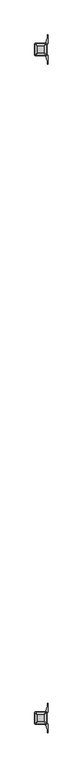
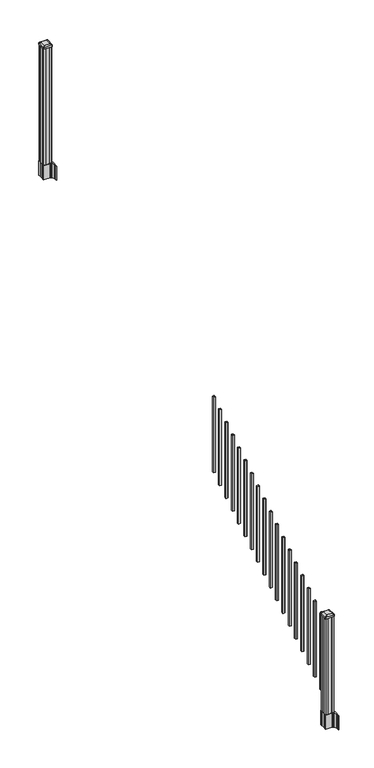
"""IFC4 building model written with IfcOpenShell, lengths in millimetres: railing geometry."""

import ifcopenshell
import ifcopenshell.guid

model = None  # the IFC model being written
_history = None  # IfcOwnerHistory: only IFC2X3 demands one
_inside = {}  # id of a spatial element -> (the spatial element, [elements in it])
_under = {}  # id of a project, library or spatial element -> (it, [spatial elements below it])
_declared = {}  # id of a project -> (the project, [libraries it declares])
_typed = {}  # id of a type object -> (the type object, [elements of that type])
_made_of = {}  # id of a material, layer set ... -> (it, [elements and type objects made of it])


def new_model(schema):
    """Start an empty IFC model of exactly this schema.

    Asked for "IFC4X3", IfcOpenShell would pick the latest addendum, in which some entities
    have other attributes; the version numbers below select the first issue.
    IFC2X3 requires an IfcOwnerHistory on every rooted entity: one is made here for all.
    """
    global model, _history
    if schema == "IFC4X3":
        model = ifcopenshell.file(schema_version=(4, 3, 0, 0))
    else:
        model = ifcopenshell.file(schema=schema)
    _inside.clear()
    _under.clear()
    _declared.clear()
    _typed.clear()
    _made_of.clear()
    _history = None
    if model.schema == "IFC2X3":
        org = make("IfcOrganization", Name="unknown")
        user = make(
            "IfcPersonAndOrganization",
            ThePerson=make("IfcPerson", FamilyName="unknown"),
            TheOrganization=org,
        )
        app = make(
            "IfcApplication",
            ApplicationDeveloper=org,
            Version="unknown",
            ApplicationFullName="unknown",
            ApplicationIdentifier="unknown",
        )
        _history = make(
            "IfcOwnerHistory",
            OwningUser=user,
            OwningApplication=app,
            ChangeAction="ADDED",
            CreationDate=0,
        )
    return model


def make(cls, **values):
    """One entity of the class cls with the attributes given. An attribute that is None is left unset."""
    return model.create_entity(
        cls, **{name: value for name, value in values.items() if value is not None}
    )


def rooted(cls, **values):
    """An entity with a GlobalId (a new one), such as an element, a storey or a relation."""
    return make(cls, GlobalId=ifcopenshell.guid.new(), OwnerHistory=_history, **values)


def si_unit(unit_type, name, prefix=None):
    """IfcSIUnit, for example si_unit("LENGTHUNIT", "METRE", prefix="MILLI")."""
    return make("IfcSIUnit", UnitType=unit_type, Prefix=prefix, Name=name)


def assignment(units):
    """IfcUnitAssignment: the units of a project."""
    return None if units is None else make("IfcUnitAssignment", Units=units)


def point(xyz):
    """IfcCartesianPoint."""
    return None if xyz is None else make("IfcCartesianPoint", Coordinates=xyz)


def direction(xyz):
    """IfcDirection."""
    return None if xyz is None else make("IfcDirection", DirectionRatios=xyz)


def frame(location, z_axis=None, x_axis=None):
    """IfcAxis2Placement3D, a coordinate frame: its origin and axes. An axis left out is left unset."""
    return make(
        "IfcAxis2Placement3D",
        Location=point(location),
        Axis=direction(z_axis),
        RefDirection=direction(x_axis),
    )


def frame_2d(location, x_axis=None):
    """IfcAxis2Placement2D, a coordinate frame in the plane: its origin and x axis."""
    return make(
        "IfcAxis2Placement2D", Location=point(location), RefDirection=direction(x_axis)
    )


def origin():
    """The frame at (0, 0, 0) with its axes left unset."""
    return frame((0.0, 0.0, 0.0))


def place(relative_to, where):
    """IfcLocalPlacement: puts the frame where relative to a parent placement (None: the world)."""
    return make(
        "IfcLocalPlacement", PlacementRelTo=relative_to, RelativePlacement=where
    )


def context(
    kind, dimensions, precision=None, world=None, true_north=None, identifier=None
):
    """IfcGeometricRepresentationContext, for example the 3D "Model" context."""
    return make(
        "IfcGeometricRepresentationContext",
        ContextIdentifier=identifier,
        ContextType=kind,
        CoordinateSpaceDimension=dimensions,
        Precision=precision,
        WorldCoordinateSystem=world,
        TrueNorth=true_north,
    )


def project(units=None, contexts=None):
    """IfcProject with its units and contexts."""
    return rooted(
        "IfcProject",
        Name="project",
        RepresentationContexts=contexts,
        UnitsInContext=assignment(units),
    )


def spatial(cls, under=None, at=None, **own):
    """A site, building, storey or space (cls), placed at a placement, below another one or the project."""
    s = rooted(cls, ObjectPlacement=at, **own)
    if under is not None:
        _under.setdefault(under.id(), (under, []))[1].append(s)
    return s


def polyline(points):
    """IfcPolyline through the points."""
    return make("IfcPolyline", Points=[point(p) for p in points])


def circle_curve(where, radius):
    """IfcCircle in the frame where."""
    return make("IfcCircle", Position=where, Radius=radius)


def trimmed(basis, trim1, trim2, sense, master):
    """IfcTrimmedCurve: the piece of a basis curve between two trims."""
    return make(
        "IfcTrimmedCurve",
        BasisCurve=basis,
        Trim1=trim1,
        Trim2=trim2,
        SenseAgreement=sense,
        MasterRepresentation=master,
    )


def segment(curve, same_sense, transition):
    """IfcCompositeCurveSegment."""
    return make(
        "IfcCompositeCurveSegment",
        Transition=transition,
        SameSense=same_sense,
        ParentCurve=curve,
    )


def composite_curve(segments, self_intersect=None):
    """IfcCompositeCurve: segments joined end to end."""
    return make("IfcCompositeCurve", Segments=segments, SelfIntersect=self_intersect)


def outline(outer, holes=None, kind="AREA"):
    """IfcArbitraryClosedProfileDef: a profile drawn as a closed curve; with holes, ...WithVoids."""
    if holes is None:
        return make("IfcArbitraryClosedProfileDef", ProfileType=kind, OuterCurve=outer)
    return make(
        "IfcArbitraryProfileDefWithVoids",
        ProfileType=kind,
        OuterCurve=outer,
        InnerCurves=holes,
    )


def extrude(swept, where, along, depth):
    """IfcExtrudedAreaSolid: the profile swept, set in the frame where, extruded along a direction by depth."""
    return make(
        "IfcExtrudedAreaSolid",
        SweptArea=swept,
        Position=where,
        ExtrudedDirection=direction(along),
        Depth=depth,
    )


def shape(context_of_items, identifier, shape_type, items):
    """IfcShapeRepresentation: the items that make up one representation, for example the "Body"."""
    return make(
        "IfcShapeRepresentation",
        ContextOfItems=context_of_items,
        RepresentationIdentifier=identifier,
        RepresentationType=shape_type,
        Items=items,
    )


def source(mapping_origin, context_of_items, identifier, shape_type, items):
    """IfcRepresentationMap: a shape defined once, which mapped items show again and again."""
    return make(
        "IfcRepresentationMap",
        MappingOrigin=mapping_origin,
        MappedRepresentation=shape(context_of_items, identifier, shape_type, items),
    )


def transform(
    local_origin,
    x_axis=None,
    y_axis=None,
    z_axis=None,
    scale=None,
    scale2=None,
    scale3=None,
    uniform=True,
):
    """IfcCartesianTransformationOperator3D, or its non-uniform kind. x_axis, y_axis, z_axis: its Axis1, 2, 3."""
    if uniform:
        return make(
            "IfcCartesianTransformationOperator3D",
            Axis1=direction(x_axis),
            Axis2=direction(y_axis),
            LocalOrigin=point(local_origin),
            Scale=scale,
            Axis3=direction(z_axis),
        )
    return make(
        "IfcCartesianTransformationOperator3DnonUniform",
        Axis1=direction(x_axis),
        Axis2=direction(y_axis),
        LocalOrigin=point(local_origin),
        Scale=scale,
        Axis3=direction(z_axis),
        Scale2=scale2,
        Scale3=scale3,
    )


def mapped(mapping_source, mapping_target):
    """IfcMappedItem: shows the shape of a source again, moved by a transform."""
    return make(
        "IfcMappedItem", MappingSource=mapping_source, MappingTarget=mapping_target
    )


def made_of(thing, what):
    """Note that an element or type object is made of a material, layer set ...; save() writes the relation."""
    if what is not None:
        _made_of.setdefault(what.id(), (what, []))[1].append(thing)
    return thing


def element(
    cls,
    number,
    at=None,
    inside=None,
    cuts=None,
    type_object=None,
    material=None,
    context=None,
    identifier="Body",
    shape_type=None,
    held_by="IfcProductDefinitionShape",
    body=None,
    shapes=None,
    **own,
):
    """One element of the class cls, such as IfcWall. Its Tag is "e" and its number.

    at: its placement. inside: the storey or other place that contains it. cuts: it is an
    opening in that element (IfcRelVoidsElement). A single representation is given by context,
    identifier, shape_type and body (its items); several are given by shapes. held_by: the class
    of the entity that holds the representations. save() writes the other relations.
    """
    e = rooted(cls, Tag="e%d" % number, ObjectPlacement=at, **own)
    if body is not None:
        shapes = [shape(context, identifier, shape_type, body)]
    if shapes is not None:
        e.Representation = make(held_by, Representations=shapes)
    if inside is not None:
        _inside.setdefault(inside.id(), (inside, []))[1].append(e)
    if cuts is not None:
        rooted(
            "IfcRelVoidsElement", RelatingBuildingElement=cuts, RelatedOpeningElement=e
        )
    if type_object is not None:
        _typed.setdefault(type_object.id(), (type_object, []))[1].append(e)
    return made_of(e, material)


def aggregate(whole, parts):
    """IfcRelAggregates: a whole, such as a stair, and the parts it consists of."""
    return rooted("IfcRelAggregates", RelatingObject=whole, RelatedObjects=parts)


def save(model, path):
    """Write the relations noted so far, then the file.

    IfcRelAggregates (storeys below a building ...), IfcRelContainedInSpatialStructure (elements
    in a storey), IfcRelDefinesByType, IfcRelAssociatesMaterial and IfcRelDeclares: one each for
    every whole, place, type object, material and project.
    """
    for whole, parts in _under.values():
        aggregate(whole, parts)
    for where, things in _inside.values():
        rooted(
            "IfcRelContainedInSpatialStructure",
            RelatedElements=things,
            RelatingStructure=where,
        )
    for kind, things in _typed.values():
        rooted("IfcRelDefinesByType", RelatedObjects=things, RelatingType=kind)
    for what, things in _made_of.values():
        rooted("IfcRelAssociatesMaterial", RelatedObjects=things, RelatingMaterial=what)
    for by, libraries in _declared.values():
        rooted("IfcRelDeclares", RelatingContext=by, RelatedDefinitions=libraries)
    model.write(path)


def plane_surface(at):
    """IfcPlane: the flat surface through the origin of the frame at, square to its z axis."""
    return make("IfcPlane", Position=at)


def extruded_surface(curve, direction_of_extrusion, depth):
    """IfcSurfaceOfLinearExtrusion: the curve pushed along a direction by depth."""
    return make(
        "IfcSurfaceOfLinearExtrusion",
        SweptCurve=make("IfcArbitraryOpenProfileDef", ProfileType="CURVE", Curve=curve),
        ExtrudedDirection=direction(direction_of_extrusion),
        Depth=depth,
    )


def advanced_brep(points, edges, surfaces, faces):
    """IfcAdvancedBrep: a solid bounded by faces that lie on surfaces and meet in shared edges.

    An edge is (start, end): straight between two places in points (the first is 0);
    or (start, end, curve); or (start, end, curve, False) where it runs against its curve.
    A face is (place in surfaces, loops), or (place, loops, False) where it looks against
    its surface's normal. A loop lists edges by number (the first is 1), with a minus sign
    where the edge is run from its end to its start. The first loop is the outer one.
    """
    corners = [point(p) for p in points]
    vertices = [make("IfcVertexPoint", VertexGeometry=c) for c in corners]
    made = []
    for start, end, *more in edges:
        made.append(
            make(
                "IfcEdgeCurve",
                EdgeStart=vertices[start],
                EdgeEnd=vertices[end],
                EdgeGeometry=more[0] if more else make("IfcPolyline", Points=[corners[start], corners[end]]),
                SameSense=more[1] if len(more) > 1 else True,
            )
        )
    hull = []
    for where, loops, *sense in faces:
        bounds = []
        for j, loop in enumerate(loops):
            ring = [make("IfcOrientedEdge", EdgeElement=made[abs(k) - 1], Orientation=k > 0) for k in loop]
            bounds.append(
                make(
                    "IfcFaceOuterBound" if j == 0 else "IfcFaceBound",
                    Bound=make("IfcEdgeLoop", EdgeList=ring),
                    Orientation=True,
                )
            )
        hull.append(make("IfcAdvancedFace", Bounds=bounds, FaceSurface=surfaces[where], SameSense=sense[0] if sense else True))
    return make("IfcAdvancedBrep", Outer=make("IfcClosedShell", CfsFaces=hull))


def railing_30fb8392(model_context):
    return source(origin(), model_context, "Body", "SolidModel", [
        extrude(outline(polyline([(8843.5833284, -5721.2584681), (8843.5833284, -5702.2084681), (8862.6333284, -5702.2084681), (8862.6333284, -5721.2584681), (8843.5833284, -5721.2584681)]), holes=[polyline([(8843.9802034, -5720.8615931), (8862.2364534, -5720.8615931), (8862.2364534, -5702.6053431), (8843.9802034, -5702.6053431), (8843.9802034, -5720.8615931)])]), frame((0.0, 0.0, 1515.8996281), z_axis=(0.0, 0.0, 1.0), x_axis=(1.0, 0.0, 0.0)), (0.0, 0.0, 1.0), 812.8041219),
        extrude(outline(polyline([(8843.5833284, -5832.5104681), (8843.5833284, -5813.4604681), (8862.6333284, -5813.4604681), (8862.6333284, -5832.5104681), (8843.5833284, -5832.5104681)]), holes=[polyline([(8843.9802034, -5832.1135931), (8862.2364534, -5832.1135931), (8862.2364534, -5813.8573431), (8843.9802034, -5813.8573431), (8843.9802034, -5832.1135931)])]), frame((0.0, 0.0, 1446.3671281), z_axis=(0.0, 0.0, 1.0), x_axis=(1.0, 0.0, 0.0)), (0.0, 0.0, 1.0), 812.8041219),
        extrude(outline(polyline([(8843.5833284, -5943.7624681), (8843.5833284, -5924.7124681), (8862.6333284, -5924.7124681), (8862.6333284, -5943.7624681), (8843.5833284, -5943.7624681)]), holes=[polyline([(8843.9802034, -5943.3655931), (8862.2364534, -5943.3655931), (8862.2364534, -5925.1093431), (8843.9802034, -5925.1093431), (8843.9802034, -5943.3655931)])]), frame((0.0, 0.0, 1376.8346281), z_axis=(0.0, 0.0, 1.0), x_axis=(1.0, 0.0, 0.0)), (0.0, 0.0, 1.0), 812.8041219),
        extrude(outline(polyline([(8843.5833284, -6055.0144681), (8843.5833284, -6035.9644681), (8862.6333284, -6035.9644681), (8862.6333284, -6055.0144681), (8843.5833284, -6055.0144681)]), holes=[polyline([(8843.9802034, -6054.6175931), (8862.2364534, -6054.6175931), (8862.2364534, -6036.3613431), (8843.9802034, -6036.3613431), (8843.9802034, -6054.6175931)])]), frame((0.0, 0.0, 1307.3021281), z_axis=(0.0, 0.0, 1.0), x_axis=(1.0, 0.0, 0.0)), (0.0, 0.0, 1.0), 812.8041219),
        extrude(outline(polyline([(8843.5833284, -6166.2664681), (8843.5833284, -6147.2164681), (8862.6333284, -6147.2164681), (8862.6333284, -6166.2664681), (8843.5833284, -6166.2664681)]), holes=[polyline([(8843.9802034, -6165.8695931), (8862.2364534, -6165.8695931), (8862.2364534, -6147.6133431), (8843.9802034, -6147.6133431), (8843.9802034, -6165.8695931)])]), frame((0.0, 0.0, 1237.7696281), z_axis=(0.0, 0.0, 1.0), x_axis=(1.0, 0.0, 0.0)), (0.0, 0.0, 1.0), 812.8041219),
        extrude(outline(polyline([(8843.5833284, -6277.5184681), (8843.5833284, -6258.4684681), (8862.6333284, -6258.4684681), (8862.6333284, -6277.5184681), (8843.5833284, -6277.5184681)]), holes=[polyline([(8843.9802034, -6277.1215931), (8862.2364534, -6277.1215931), (8862.2364534, -6258.8653431), (8843.9802034, -6258.8653431), (8843.9802034, -6277.1215931)])]), frame((0.0, 0.0, 1168.2371281), z_axis=(0.0, 0.0, 1.0), x_axis=(1.0, 0.0, 0.0)), (0.0, 0.0, 1.0), 812.8041219),
        extrude(outline(polyline([(8843.5833284, -6388.7704681), (8843.5833284, -6369.7204681), (8862.6333284, -6369.7204681), (8862.6333284, -6388.7704681), (8843.5833284, -6388.7704681)]), holes=[polyline([(8843.9802034, -6388.3735931), (8862.2364534, -6388.3735931), (8862.2364534, -6370.1173431), (8843.9802034, -6370.1173431), (8843.9802034, -6388.3735931)])]), frame((0.0, 0.0, 1098.7046281), z_axis=(0.0, 0.0, 1.0), x_axis=(1.0, 0.0, 0.0)), (0.0, 0.0, 1.0), 812.8041219),
        extrude(outline(polyline([(8843.5833284, -6500.0224681), (8843.5833284, -6480.9724681), (8862.6333284, -6480.9724681), (8862.6333284, -6500.0224681), (8843.5833284, -6500.0224681)]), holes=[polyline([(8843.9802034, -6499.6255931), (8862.2364534, -6499.6255931), (8862.2364534, -6481.3693431), (8843.9802034, -6481.3693431), (8843.9802034, -6499.6255931)])]), frame((0.0, 0.0, 1029.1721281), z_axis=(0.0, 0.0, 1.0), x_axis=(1.0, 0.0, 0.0)), (0.0, 0.0, 1.0), 812.8041219),
        extrude(outline(polyline([(8843.5833284, -6611.2744681), (8843.5833284, -6592.2244681), (8862.6333284, -6592.2244681), (8862.6333284, -6611.2744681), (8843.5833284, -6611.2744681)]), holes=[polyline([(8843.9802034, -6610.8775931), (8862.2364534, -6610.8775931), (8862.2364534, -6592.6213431), (8843.9802034, -6592.6213431), (8843.9802034, -6610.8775931)])]), frame((0.0, 0.0, 959.6396281), z_axis=(0.0, 0.0, 1.0), x_axis=(1.0, 0.0, 0.0)), (0.0, 0.0, 1.0), 812.8041219),
        extrude(outline(polyline([(8843.5833284, -6722.5264681), (8843.5833284, -6703.4764681), (8862.6333284, -6703.4764681), (8862.6333284, -6722.5264681), (8843.5833284, -6722.5264681)]), holes=[polyline([(8843.9802034, -6722.1295931), (8862.2364534, -6722.1295931), (8862.2364534, -6703.8733431), (8843.9802034, -6703.8733431), (8843.9802034, -6722.1295931)])]), frame((0.0, 0.0, 890.1071281), z_axis=(0.0, 0.0, 1.0), x_axis=(1.0, 0.0, 0.0)), (0.0, 0.0, 1.0), 812.8041219),
        extrude(outline(polyline([(8843.5833284, -6833.7784681), (8843.5833284, -6814.7284681), (8862.6333284, -6814.7284681), (8862.6333284, -6833.7784681), (8843.5833284, -6833.7784681)]), holes=[polyline([(8843.9802034, -6833.3815931), (8862.2364534, -6833.3815931), (8862.2364534, -6815.1253431), (8843.9802034, -6815.1253431), (8843.9802034, -6833.3815931)])]), frame((0.0, 0.0, 820.5746281), z_axis=(0.0, 0.0, 1.0), x_axis=(1.0, 0.0, 0.0)), (0.0, 0.0, 1.0), 812.8041219),
        extrude(outline(polyline([(8843.5833284, -6945.0304681), (8843.5833284, -6925.9804681), (8862.6333284, -6925.9804681), (8862.6333284, -6945.0304681), (8843.5833284, -6945.0304681)]), holes=[polyline([(8843.9802034, -6944.6335931), (8862.2364534, -6944.6335931), (8862.2364534, -6926.3773431), (8843.9802034, -6926.3773431), (8843.9802034, -6944.6335931)])]), frame((0.0, 0.0, 751.0421281), z_axis=(0.0, 0.0, 1.0), x_axis=(1.0, 0.0, 0.0)), (0.0, 0.0, 1.0), 812.8041219),
        extrude(outline(polyline([(8843.5833284, -7056.2824681), (8843.5833284, -7037.2324681), (8862.6333284, -7037.2324681), (8862.6333284, -7056.2824681), (8843.5833284, -7056.2824681)]), holes=[polyline([(8843.9802034, -7055.8855931), (8862.2364534, -7055.8855931), (8862.2364534, -7037.6293431), (8843.9802034, -7037.6293431), (8843.9802034, -7055.8855931)])]), frame((0.0, 0.0, 681.5096281), z_axis=(0.0, 0.0, 1.0), x_axis=(1.0, 0.0, 0.0)), (0.0, 0.0, 1.0), 812.8041219),
        extrude(outline(polyline([(8843.5833284, -7167.5344681), (8843.5833284, -7148.4844681), (8862.6333284, -7148.4844681), (8862.6333284, -7167.5344681), (8843.5833284, -7167.5344681)]), holes=[polyline([(8843.9802034, -7167.1375931), (8862.2364534, -7167.1375931), (8862.2364534, -7148.8813431), (8843.9802034, -7148.8813431), (8843.9802034, -7167.1375931)])]), frame((0.0, 0.0, 611.9771281), z_axis=(0.0, 0.0, 1.0), x_axis=(1.0, 0.0, 0.0)), (0.0, 0.0, 1.0), 812.8041219),
        extrude(outline(polyline([(8843.5833284, -7278.7864681), (8843.5833284, -7259.7364681), (8862.6333284, -7259.7364681), (8862.6333284, -7278.7864681), (8843.5833284, -7278.7864681)]), holes=[polyline([(8843.9802034, -7278.3895931), (8862.2364534, -7278.3895931), (8862.2364534, -7260.1333431), (8843.9802034, -7260.1333431), (8843.9802034, -7278.3895931)])]), frame((0.0, 0.0, 542.4446281), z_axis=(0.0, 0.0, 1.0), x_axis=(1.0, 0.0, 0.0)), (0.0, 0.0, 1.0), 812.8041219),
        extrude(outline(polyline([(8843.5833284, -7390.0384681), (8843.5833284, -7370.9884681), (8862.6333284, -7370.9884681), (8862.6333284, -7390.0384681), (8843.5833284, -7390.0384681)]), holes=[polyline([(8843.9802034, -7389.6415931), (8862.2364534, -7389.6415931), (8862.2364534, -7371.3853431), (8843.9802034, -7371.3853431), (8843.9802034, -7389.6415931)])]), frame((0.0, 0.0, 472.9121281), z_axis=(0.0, 0.0, 1.0), x_axis=(1.0, 0.0, 0.0)), (0.0, 0.0, 1.0), 812.8041219),
        extrude(outline(polyline([(8843.5833284, -7501.2904681), (8843.5833284, -7482.2404681), (8862.6333284, -7482.2404681), (8862.6333284, -7501.2904681), (8843.5833284, -7501.2904681)]), holes=[polyline([(8843.9802034, -7500.8935931), (8862.2364534, -7500.8935931), (8862.2364534, -7482.6373431), (8843.9802034, -7482.6373431), (8843.9802034, -7500.8935931)])]), frame((0.0, 0.0, 403.3796281), z_axis=(0.0, 0.0, 1.0), x_axis=(1.0, 0.0, 0.0)), (0.0, 0.0, 1.0), 812.8041219),
        extrude(outline(polyline([(8843.5833284, -7612.5424681), (8843.5833284, -7593.4924681), (8862.6333284, -7593.4924681), (8862.6333284, -7612.5424681), (8843.5833284, -7612.5424681)]), holes=[polyline([(8843.9802034, -7612.1455931), (8862.2364534, -7612.1455931), (8862.2364534, -7593.8893431), (8843.9802034, -7593.8893431), (8843.9802034, -7612.1455931)])]), frame((0.0, 0.0, 333.8471281), z_axis=(0.0, 0.0, 1.0), x_axis=(1.0, 0.0, 0.0)), (0.0, 0.0, 1.0), 812.8041219),
        extrude(outline(polyline([(8892.7958284, -2792.8924681), (8873.1743284, -2792.8924681), (8872.4123284, -2791.3049681), (8833.8043284, -2791.3049681), (8833.0423284, -2792.8924681), (8813.4208284, -2792.8924681), (8811.8333284, -2791.3049681), (8811.8333284, -2771.6834681), (8813.4208284, -2770.9214681), (8813.4208284, -2732.3134681), (8811.8333284, -2731.5514681), (8811.8333284, -2711.9299681), (8813.4208284, -2710.3424681), (8833.0423284, -2710.3424681), (8833.8043284, -2711.9299681), (8872.4123284, -2711.9299681), (8873.1743284, -2710.3424681), (8892.7958284, -2710.3424681), (8894.3833284, -2711.9299681), (8894.3833284, -2731.5514681), (8892.7958284, -2732.3134681), (8892.7958284, -2770.9214681), (8894.3833284, -2771.6834681), (8894.3833284, -2791.3049681), (8892.7958284, -2792.8924681)])), frame((0.0, 0.0, 3048.0), z_axis=(0.0, 0.0, 1.0), x_axis=(1.0, 0.0, 0.0)), (0.0, 0.0, 1.0), 1247.740513),
        extrude(outline(composite_curve([segment(polyline([(8810.3728284, -2769.003563), (8810.3728284, -2734.2313732), (8808.7853284, -2733.4693732), (8808.7853284, -2710.6674452), (8812.1583054, -2707.2944681), (8873.6179763, -2707.2944681), (8873.6179763, -2706.3737181), (8878.9355201, -2706.3737181), (8878.9355201, -2704.9194634), (8884.0200498, -2704.9194634), (8884.0200498, -2703.6354396), (8885.6873221, -2703.6354396)]), True, "CONTINUOUS"), segment(trimmed(circle_curve(frame_2d((8885.6873221, -2696.5759797)), 7.0594599), [point((8885.6873221, -2703.6354396))], [point((8892.4545849, -2698.5859864))], True, "CARTESIAN"), True, "CONTINUOUS"), segment(polyline([(8892.4545849, -2698.5859864), (8900.3287792, -2672.0752573)]), True, "CONTINUOUS"), segment(trimmed(circle_curve(frame_2d((8845.5442659, -2655.8032076)), 57.15), [point((8900.3287792, -2672.0752573))], [point((8902.6942659, -2655.8032076))], True, "CARTESIAN"), True, "CONTINUOUS"), segment(polyline([(8902.6942659, -2655.8032076), (8902.6942659, -2643.7944681), (8905.6942659, -2643.7944681), (8905.6942659, -2708.8819681), (8897.4313284, -2720.2202594), (8897.4313284, -2733.4693732), (8895.8438284, -2734.2313732), (8895.8438284, -2769.003563), (8897.4313284, -2769.765563), (8897.4313284, -2783.0146768), (8905.6942659, -2794.3529681), (8905.6942659, -2859.4404681), (8902.6942659, -2859.4404681), (8902.6942659, -2847.4317285)]), True, "CONTINUOUS"), segment(trimmed(circle_curve(frame_2d((8845.5442659, -2847.4317285)), 57.15), [point((8902.6942659, -2847.4317285))], [point((8900.3287792, -2831.1596789))], True, "CARTESIAN"), True, "CONTINUOUS"), segment(polyline([(8900.3287792, -2831.1596789), (8892.4545849, -2804.6489498)]), True, "CONTINUOUS"), segment(trimmed(circle_curve(frame_2d((8885.6873221, -2806.6589565)), 7.0594599), [point((8892.4545849, -2804.6489498))], [point((8885.6873221, -2799.5994966))], True, "CARTESIAN"), True, "CONTINUOUS"), segment(polyline([(8885.6873221, -2799.5994966), (8884.0200498, -2799.5994966), (8884.0200498, -2798.3154728), (8878.9355201, -2798.3154728), (8878.9355201, -2796.8612181), (8873.6179763, -2796.8612181), (8873.6179763, -2795.9404681), (8812.1583054, -2795.9404681), (8808.7853284, -2792.567491), (8808.7853284, -2769.765563), (8810.3728284, -2769.003563)]), True, "CONTINUOUS")], self_intersect=False), holes=[polyline([(8894.3833284, -2711.9299681), (8892.7958284, -2710.3424681), (8855.8715458, -2710.3424681), (8813.4208284, -2710.3424681), (8811.8333284, -2711.9299681), (8811.8333284, -2791.3049681), (8813.4208284, -2792.8924681), (8855.8715458, -2792.8924681), (8892.7958284, -2792.8924681), (8894.3833284, -2791.3049681), (8894.3833284, -2711.9299681)])]), frame((0.0, 0.0, 2895.6), z_axis=(0.0, 0.0, 1.0), x_axis=(1.0, 0.0, 0.0)), (0.0, 0.0, 1.0), 152.4),
        advanced_brep(
        [(8878.9052034, -2780.5893431, 4324.315513), (8882.0802034, -2777.4143431, 4324.315513), (8882.0802034, -2725.8205931, 4324.315513), (8878.9052034, -2722.6455931, 4324.315513), (8827.3114534, -2722.6455931, 4324.315513), (8824.1364534, -2725.8205931, 4324.315513), (8824.1364534, -2777.4143431, 4324.315513), (8827.3114534, -2780.5893431, 4324.315513), (8895.1770784, -2796.8612181, 4313.012513), (8811.0395784, -2796.8612181, 4313.012513), (8807.8645784, -2793.6862181, 4313.012513), (8807.8645784, -2709.5487181, 4313.012513), (8811.0395784, -2706.3737181, 4313.012513), (8895.1770784, -2706.3737181, 4313.012513), (8898.3520784, -2709.5487181, 4313.012513), (8898.3520784, -2793.6862181, 4313.012513)],
        [
            (0, 1, circle_curve(frame((8878.9052034, -2777.4143431, 4324.315513), z_axis=(0.0, 0.0, 1.0), x_axis=(0.0, 1.0, 0.0)), 3.175)),
            (1, 2),
            (2, 3, circle_curve(frame((8878.9052034, -2725.8205931, 4324.315513), z_axis=(0.0, 0.0, 1.0), x_axis=(0.0, 1.0, 0.0)), 3.175)),
            (3, 4),
            (4, 5, circle_curve(frame((8827.3114534, -2725.8205931, 4324.315513), z_axis=(0.0, 0.0, 1.0), x_axis=(0.0, 1.0, 0.0)), 3.175)),
            (5, 6),
            (6, 7, circle_curve(frame((8827.3114534, -2777.4143431, 4324.315513), z_axis=(0.0, 0.0, 1.0), x_axis=(0.0, 1.0, 0.0)), 3.175)),
            (7, 0),
            (8, 9),
            (9, 10, circle_curve(frame((8811.0395784, -2793.6862181, 4313.012513), z_axis=(0.0, 0.0, -1.0), x_axis=(0.0, 1.0, 0.0)), 3.175)),
            (10, 11),
            (11, 12, circle_curve(frame((8811.0395784, -2709.5487181, 4313.012513), z_axis=(0.0, 0.0, -1.0), x_axis=(0.0, 1.0, 0.0)), 3.175)),
            (12, 13),
            (13, 14, circle_curve(frame((8895.1770784, -2709.5487181, 4313.012513), z_axis=(0.0, 0.0, -1.0), x_axis=(0.0, 1.0, 0.0)), 3.175)),
            (14, 15),
            (15, 8, circle_curve(frame((8895.1770784, -2793.6862181, 4313.012513), z_axis=(0.0, 0.0, -1.0), x_axis=(0.0, 1.0, 0.0)), 3.175)),
            (15, 1),
            (0, 8),
            (14, 2),
            (13, 3),
            (12, 4),
            (11, 5),
            (10, 6),
            (9, 7),
        ],
        [
            plane_surface(frame((8853.1083284, -2751.6174681, 4324.315513), z_axis=(0.0, 0.0, 1.0), x_axis=(1.0, 0.0, 0.0))),
            plane_surface(frame((8853.1083284, -2751.6174681, 4313.012513), z_axis=(0.0, 0.0, -1.0), x_axis=(1.0, 0.0, 0.0))),
            extruded_surface(trimmed(circle_curve(frame((8895.1770784, -2793.6862181, 4313.012513), z_axis=(0.0, 0.0, 1.0), x_axis=(0.0, 1.0, 0.0)), 3.175), [point((8895.1770784, -2796.8612181, 4313.012513))], [point((8898.3520784, -2793.6862181, 4313.012513))], True, "CARTESIAN"), (-16.271875000000364, 16.27187499999991, 11.302999999999884), 25.637972638866284),
            plane_surface(frame((8898.3520784, -2751.6174681, 4313.012513), z_axis=(0.5705009161540687, 0.0, 0.8212969649690472), x_axis=(0.0, 1.0, 0.0))),
            extruded_surface(trimmed(circle_curve(frame((8895.1770784, -2709.5487181, 4313.012513), z_axis=(0.0, 0.0, 1.0), x_axis=(0.0, 1.0, 0.0)), 3.175), [point((8898.3520784, -2709.5487181, 4313.012513))], [point((8895.1770784, -2706.3737181, 4313.012513))], True, "CARTESIAN"), (-16.271875000000364, -16.271875000000364, 11.302999999999884), 25.63797263886657),
            plane_surface(frame((8853.1083284, -2706.3737181, 4313.012513), z_axis=(0.0, 0.5705009161540291, 0.8212969649690747), x_axis=(-1.0, 0.0, 0.0))),
            extruded_surface(trimmed(circle_curve(frame((8811.0395784, -2709.5487181, 4313.012513), z_axis=(0.0, 0.0, 1.0), x_axis=(0.0, 1.0, 0.0)), 3.175), [point((8811.0395784, -2706.3737181, 4313.012513))], [point((8807.8645784, -2709.5487181, 4313.012513))], True, "CARTESIAN"), (16.271875000000364, -16.271875000000364, 11.302999999999884), 25.63797263886657),
            plane_surface(frame((8807.8645784, -2751.6174681, 4313.012513), z_axis=(-0.5705009161540233, 0.0, 0.8212969649690787), x_axis=(0.0, -1.0, 0.0))),
            extruded_surface(trimmed(circle_curve(frame((8811.0395784, -2793.6862181, 4313.012513), z_axis=(0.0, 0.0, 1.0), x_axis=(0.0, 1.0, 0.0)), 3.175), [point((8807.8645784, -2793.6862181, 4313.012513))], [point((8811.0395784, -2796.8612181, 4313.012513))], True, "CARTESIAN"), (16.271875000000364, 16.27187499999991, 11.302999999999884), 25.637972638866284),
            plane_surface(frame((8853.1083284, -2796.8612181, 4313.012513), z_axis=(0.0, -0.570500916154034, 0.8212969649690713), x_axis=(1.0, 0.0, 0.0))),
        ],
        [
            (0, [[1, 2, 3, 4, 5, 6, 7, 8]]),
            (1, [[9, 10, 11, 12, 13, 14, 15, 16]]),
            (2, [[-16, 17, -1, 18]]),
            (3, [[-15, 19, -2, -17]]),
            (4, [[-14, 20, -3, -19]]),
            (5, [[-13, 21, -4, -20]]),
            (6, [[-12, 22, -5, -21]]),
            (7, [[-11, 23, -6, -22]]),
            (8, [[-10, 24, -7, -23]]),
            (9, [[-9, -18, -8, -24]]),
        ],
    ),
        extrude(outline(composite_curve([segment(polyline([(8895.1770784, -2796.8612181), (8811.0395784, -2796.8612181)]), True, "CONTINUOUS"), segment(trimmed(circle_curve(frame_2d((8811.0395784, -2793.6862181)), 3.175), [point((8811.0395784, -2796.8612181))], [point((8807.8645784, -2793.6862181))], False, "CARTESIAN"), True, "CONTINUOUS"), segment(polyline([(8807.8645784, -2793.6862181), (8807.8645784, -2709.5487181)]), True, "CONTINUOUS"), segment(trimmed(circle_curve(frame_2d((8811.0395784, -2709.5487181)), 3.175), [point((8807.8645784, -2709.5487181))], [point((8811.0395784, -2706.3737181))], False, "CARTESIAN"), True, "CONTINUOUS"), segment(polyline([(8811.0395784, -2706.3737181), (8895.1770784, -2706.3737181)]), True, "CONTINUOUS"), segment(trimmed(circle_curve(frame_2d((8895.1770784, -2709.5487181)), 3.175), [point((8895.1770784, -2706.3737181))], [point((8898.3520784, -2709.5487181))], False, "CARTESIAN"), True, "CONTINUOUS"), segment(polyline([(8898.3520784, -2709.5487181), (8898.3520784, -2793.6862181)]), True, "CONTINUOUS"), segment(trimmed(circle_curve(frame_2d((8895.1770784, -2793.6862181)), 3.175), [point((8898.3520784, -2793.6862181))], [point((8895.1770784, -2796.8612181))], False, "CARTESIAN"), True, "CONTINUOUS")], self_intersect=False)), frame((0.0, 0.0, 4295.740513), z_axis=(0.0, 0.0, 1.0), x_axis=(1.0, 0.0, 0.0)), (0.0, 0.0, 1.0), 17.272),
        extrude(outline(composite_curve([segment(polyline([(8810.3728284, -7728.607563), (8810.3728284, -7693.8353732), (8808.7853284, -7693.0733732), (8808.7853284, -7670.2714452), (8812.1583054, -7666.8984681), (8873.6179763, -7666.8984681), (8873.6179763, -7665.9777181), (8878.9355201, -7665.9777181), (8878.9355201, -7664.5234634), (8884.0200498, -7664.5234634), (8884.0200498, -7663.2394396), (8885.6873221, -7663.2394396)]), True, "CONTINUOUS"), segment(trimmed(circle_curve(frame_2d((8885.6873221, -7656.1799797)), 7.0594599), [point((8885.6873221, -7663.2394396))], [point((8892.4545849, -7658.1899864))], True, "CARTESIAN"), True, "CONTINUOUS"), segment(polyline([(8892.4545849, -7658.1899864), (8900.3287792, -7631.6792573)]), True, "CONTINUOUS"), segment(trimmed(circle_curve(frame_2d((8845.5442659, -7615.4072076)), 57.15), [point((8900.3287792, -7631.6792573))], [point((8902.6942659, -7615.4072076))], True, "CARTESIAN"), True, "CONTINUOUS"), segment(polyline([(8902.6942659, -7615.4072076), (8902.6942659, -7603.3984681), (8905.6942659, -7603.3984681), (8905.6942659, -7668.4859681), (8897.4313284, -7679.8242594), (8897.4313284, -7693.0733732), (8895.8438284, -7693.8353732), (8895.8438284, -7728.607563), (8897.4313284, -7729.369563), (8897.4313284, -7742.6186768), (8905.6942659, -7753.9569681), (8905.6942659, -7819.0444681), (8902.6942659, -7819.0444681), (8902.6942659, -7807.0357285)]), True, "CONTINUOUS"), segment(trimmed(circle_curve(frame_2d((8845.5442659, -7807.0357285)), 57.15), [point((8902.6942659, -7807.0357285))], [point((8900.3287792, -7790.7636789))], True, "CARTESIAN"), True, "CONTINUOUS"), segment(polyline([(8900.3287792, -7790.7636789), (8892.4545849, -7764.2529498)]), True, "CONTINUOUS"), segment(trimmed(circle_curve(frame_2d((8885.6873221, -7766.2629565)), 7.0594599), [point((8892.4545849, -7764.2529498))], [point((8885.6873221, -7759.2034966))], True, "CARTESIAN"), True, "CONTINUOUS"), segment(polyline([(8885.6873221, -7759.2034966), (8884.0200498, -7759.2034966), (8884.0200498, -7757.9194728), (8878.9355201, -7757.9194728), (8878.9355201, -7756.4652181), (8873.6179763, -7756.4652181), (8873.6179763, -7755.5444681), (8812.1583054, -7755.5444681), (8808.7853284, -7752.171491), (8808.7853284, -7729.369563), (8810.3728284, -7728.607563)]), True, "CONTINUOUS")], self_intersect=False), holes=[polyline([(8894.3833284, -7671.5339681), (8892.7958284, -7669.9464681), (8855.8715458, -7669.9464681), (8813.4208284, -7669.9464681), (8811.8333284, -7671.5339681), (8811.8333284, -7750.9089681), (8813.4208284, -7752.4964681), (8855.8715458, -7752.4964681), (8892.7958284, -7752.4964681), (8894.3833284, -7750.9089681), (8894.3833284, -7671.5339681)])]), frame((0.0, 0.0, 12.22375), z_axis=(0.0, 0.0, 1.0), x_axis=(1.0, 0.0, 0.0)), (0.0, 0.0, 1.0), 152.4),
        advanced_brep(
        [(8878.9052034, -7740.1933431, 1224.563013), (8882.0802034, -7737.0183431, 1224.563013), (8882.0802034, -7685.4245931, 1224.563013), (8878.9052034, -7682.2495931, 1224.563013), (8827.3114534, -7682.2495931, 1224.563013), (8824.1364534, -7685.4245931, 1224.563013), (8824.1364534, -7737.0183431, 1224.563013), (8827.3114534, -7740.1933431, 1224.563013), (8895.1770784, -7756.4652181, 1213.260013), (8811.0395784, -7756.4652181, 1213.260013), (8807.8645784, -7753.2902181, 1213.260013), (8807.8645784, -7669.1527181, 1213.260013), (8811.0395784, -7665.9777181, 1213.260013), (8895.1770784, -7665.9777181, 1213.260013), (8898.3520784, -7669.1527181, 1213.260013), (8898.3520784, -7753.2902181, 1213.260013)],
        [
            (0, 1, circle_curve(frame((8878.9052034, -7737.0183431, 1224.563013), z_axis=(0.0, 0.0, 1.0), x_axis=(0.0, 1.0, 0.0)), 3.175)),
            (1, 2),
            (2, 3, circle_curve(frame((8878.9052034, -7685.4245931, 1224.563013), z_axis=(0.0, 0.0, 1.0), x_axis=(0.0, 1.0, 0.0)), 3.175)),
            (3, 4),
            (4, 5, circle_curve(frame((8827.3114534, -7685.4245931, 1224.563013), z_axis=(0.0, 0.0, 1.0), x_axis=(0.0, 1.0, 0.0)), 3.175)),
            (5, 6),
            (6, 7, circle_curve(frame((8827.3114534, -7737.0183431, 1224.563013), z_axis=(0.0, 0.0, 1.0), x_axis=(0.0, 1.0, 0.0)), 3.175)),
            (7, 0),
            (8, 9),
            (9, 10, circle_curve(frame((8811.0395784, -7753.2902181, 1213.260013), z_axis=(0.0, 0.0, -1.0), x_axis=(0.0, 1.0, 0.0)), 3.175)),
            (10, 11),
            (11, 12, circle_curve(frame((8811.0395784, -7669.1527181, 1213.260013), z_axis=(0.0, 0.0, -1.0), x_axis=(0.0, 1.0, 0.0)), 3.175)),
            (12, 13),
            (13, 14, circle_curve(frame((8895.1770784, -7669.1527181, 1213.260013), z_axis=(0.0, 0.0, -1.0), x_axis=(0.0, 1.0, 0.0)), 3.175)),
            (14, 15),
            (15, 8, circle_curve(frame((8895.1770784, -7753.2902181, 1213.260013), z_axis=(0.0, 0.0, -1.0), x_axis=(0.0, 1.0, 0.0)), 3.175)),
            (15, 1),
            (0, 8),
            (14, 2),
            (13, 3),
            (12, 4),
            (11, 5),
            (10, 6),
            (9, 7),
        ],
        [
            plane_surface(frame((8853.1083284, -7711.2214681, 1224.563013), z_axis=(0.0, 0.0, 1.0), x_axis=(1.0, 0.0, 0.0))),
            plane_surface(frame((8853.1083284, -7711.2214681, 1213.260013), z_axis=(0.0, 0.0, -1.0), x_axis=(1.0, 0.0, 0.0))),
            extruded_surface(trimmed(circle_curve(frame((8895.1770784, -7753.2902181, 1213.260013), z_axis=(0.0, 0.0, 1.0), x_axis=(0.0, 1.0, 0.0)), 3.175), [point((8895.1770784, -7756.4652181, 1213.260013))], [point((8898.3520784, -7753.2902181, 1213.260013))], True, "CARTESIAN"), (-16.271875000000364, 16.271875000000364, 11.302999999999884), 25.63797263886657),
            plane_surface(frame((8898.3520784, -7711.2214681, 1213.260013), z_axis=(0.5705009161540778, 0.0, 0.8212969649690408), x_axis=(0.0, 1.0, 0.0))),
            extruded_surface(trimmed(circle_curve(frame((8895.1770784, -7669.1527181, 1213.260013), z_axis=(0.0, 0.0, 1.0), x_axis=(0.0, 1.0, 0.0)), 3.175), [point((8898.3520784, -7669.1527181, 1213.260013))], [point((8895.1770784, -7665.9777181, 1213.260013))], True, "CARTESIAN"), (-16.271875000000364, -16.271874999999454, 11.302999999999884), 25.637972638865996),
            plane_surface(frame((8853.1083284, -7665.9777181, 1213.260013), z_axis=(0.0, 0.5705009161540291, 0.8212969649690747), x_axis=(-1.0, 0.0, 0.0))),
            extruded_surface(trimmed(circle_curve(frame((8811.0395784, -7669.1527181, 1213.260013), z_axis=(0.0, 0.0, 1.0), x_axis=(0.0, 1.0, 0.0)), 3.175), [point((8811.0395784, -7665.9777181, 1213.260013))], [point((8807.8645784, -7669.1527181, 1213.260013))], True, "CARTESIAN"), (16.271875000000364, -16.271874999999454, 11.302999999999884), 25.637972638865996),
            plane_surface(frame((8807.8645784, -7711.2214681, 1213.260013), z_axis=(-0.5705009161540142, 0.0, 0.8212969649690851), x_axis=(0.0, -1.0, 0.0))),
            extruded_surface(trimmed(circle_curve(frame((8811.0395784, -7753.2902181, 1213.260013), z_axis=(0.0, 0.0, 1.0), x_axis=(0.0, 1.0, 0.0)), 3.175), [point((8807.8645784, -7753.2902181, 1213.260013))], [point((8811.0395784, -7756.4652181, 1213.260013))], True, "CARTESIAN"), (16.271875000000364, 16.271875000000364, 11.302999999999884), 25.63797263886657),
            plane_surface(frame((8853.1083284, -7756.4652181, 1213.260013), z_axis=(0.0, -0.570500916154034, 0.8212969649690713), x_axis=(1.0, 0.0, 0.0))),
        ],
        [
            (0, [[1, 2, 3, 4, 5, 6, 7, 8]]),
            (1, [[9, 10, 11, 12, 13, 14, 15, 16]]),
            (2, [[-16, 17, -1, 18]]),
            (3, [[-15, 19, -2, -17]]),
            (4, [[-14, 20, -3, -19]]),
            (5, [[-13, 21, -4, -20]]),
            (6, [[-12, 22, -5, -21]]),
            (7, [[-11, 23, -6, -22]]),
            (8, [[-10, 24, -7, -23]]),
            (9, [[-9, -18, -8, -24]]),
        ],
    ),
        extrude(outline(composite_curve([segment(polyline([(8895.1770784, -7756.4652181), (8811.0395784, -7756.4652181)]), True, "CONTINUOUS"), segment(trimmed(circle_curve(frame_2d((8811.0395784, -7753.2902181)), 3.175), [point((8811.0395784, -7756.4652181))], [point((8807.8645784, -7753.2902181))], False, "CARTESIAN"), True, "CONTINUOUS"), segment(polyline([(8807.8645784, -7753.2902181), (8807.8645784, -7669.1527181)]), True, "CONTINUOUS"), segment(trimmed(circle_curve(frame_2d((8811.0395784, -7669.1527181)), 3.175), [point((8807.8645784, -7669.1527181))], [point((8811.0395784, -7665.9777181))], False, "CARTESIAN"), True, "CONTINUOUS"), segment(polyline([(8811.0395784, -7665.9777181), (8895.1770784, -7665.9777181)]), True, "CONTINUOUS"), segment(trimmed(circle_curve(frame_2d((8895.1770784, -7669.1527181)), 3.175), [point((8895.1770784, -7665.9777181))], [point((8898.3520784, -7669.1527181))], False, "CARTESIAN"), True, "CONTINUOUS"), segment(polyline([(8898.3520784, -7669.1527181), (8898.3520784, -7753.2902181)]), True, "CONTINUOUS"), segment(trimmed(circle_curve(frame_2d((8895.1770784, -7753.2902181)), 3.175), [point((8898.3520784, -7753.2902181))], [point((8895.1770784, -7756.4652181))], False, "CARTESIAN"), True, "CONTINUOUS")], self_intersect=False)), frame((0.0, 0.0, 1195.988013), z_axis=(0.0, 0.0, 1.0), x_axis=(1.0, 0.0, 0.0)), (0.0, 0.0, 1.0), 17.272),
        extrude(outline(polyline([(8892.7958284, -7752.4964681), (8873.1743284, -7752.4964681), (8872.4123284, -7750.9089681), (8833.8043284, -7750.9089681), (8833.0423284, -7752.4964681), (8813.4208284, -7752.4964681), (8811.8333284, -7750.9089681), (8811.8333284, -7731.2874681), (8813.4208284, -7730.5254681), (8813.4208284, -7691.9174681), (8811.8333284, -7691.1554681), (8811.8333284, -7671.5339681), (8813.4208284, -7669.9464681), (8833.0423284, -7669.9464681), (8833.8043284, -7671.5339681), (8872.4123284, -7671.5339681), (8873.1743284, -7669.9464681), (8892.7958284, -7669.9464681), (8894.3833284, -7671.5339681), (8894.3833284, -7691.1554681), (8892.7958284, -7691.9174681), (8892.7958284, -7730.5254681), (8894.3833284, -7731.2874681), (8894.3833284, -7750.9089681), (8892.7958284, -7752.4964681)])), frame((0.0, 0.0, 164.62375), z_axis=(0.0, 0.0, 1.0), x_axis=(1.0, 0.0, 0.0)), (0.0, 0.0, 1.0), 1031.364263),
    ])


if __name__ == "__main__":
    model = new_model("IFC4")
    model_context = context("Model", 3, world=origin())
    ifc_project = project(units=[si_unit("LENGTHUNIT", "METRE", prefix="MILLI")], contexts=[model_context])
    site = spatial("IfcSite", under=ifc_project)
    building = spatial("IfcBuilding", under=site)
    placement = place(None, origin())
    railing_shape = railing_30fb8392(model_context)
    element("IfcRailing", 1, at=placement, inside=building, context=model_context, shape_type="MappedRepresentation", body=[
        mapped(railing_shape, transform((0.0, 0.0, 0.0), x_axis=(1.0, 0.0, 0.0), y_axis=(0.0, 1.0, 0.0), z_axis=(0.0, 0.0, 1.0))),
    ])
    save(model, "model.ifc")
